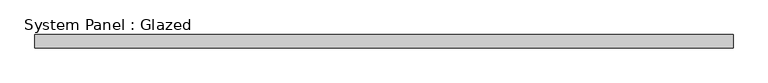
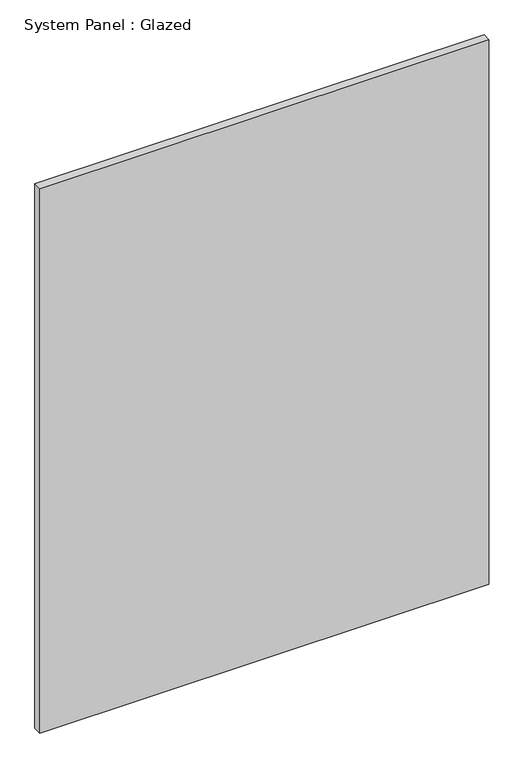
"""IFC4 building model written with IfcOpenShell, lengths in millimetres: plate geometry, System Panel : Glazed."""

from ifc_helpers import new_model, si_unit, origin, origin_with_axes, place, context, project, spatial, polyline, outline, extrude, source, transform, mapped, element, save


def system_panel_glazed_28e6c2fd(model_context):
    return source(origin(), model_context, "Body", "SweptSolid", [
        extrude(outline(polyline([(676.275, -44.45), (-676.275, -44.45), (-676.275, -19.05), (676.275, -19.05), (676.275, -44.45)])), origin_with_axes(), (0.0, 0.0, 1.0), 1733.55),
    ])


if __name__ == "__main__":
    model = new_model("IFC4")
    model_context = context("Model", 3, world=origin())
    ifc_project = project(units=[si_unit("LENGTHUNIT", "METRE", prefix="MILLI")], contexts=[model_context])
    site = spatial("IfcSite", under=ifc_project)
    building = spatial("IfcBuilding", under=site)
    placement = place(None, origin())
    system_panel_glazed_shape = system_panel_glazed_28e6c2fd(model_context)
    element("IfcPlate", 1, ObjectType="System Panel : Glazed", at=placement, inside=building, context=model_context, shape_type="MappedRepresentation", body=[
        mapped(system_panel_glazed_shape, transform((0.0, 0.0, 0.0), x_axis=(1.0, 0.0, 0.0), y_axis=(0.0, 1.0, 0.0), z_axis=(0.0, 0.0, 1.0))),
    ])
    save(model, "model.ifc")
